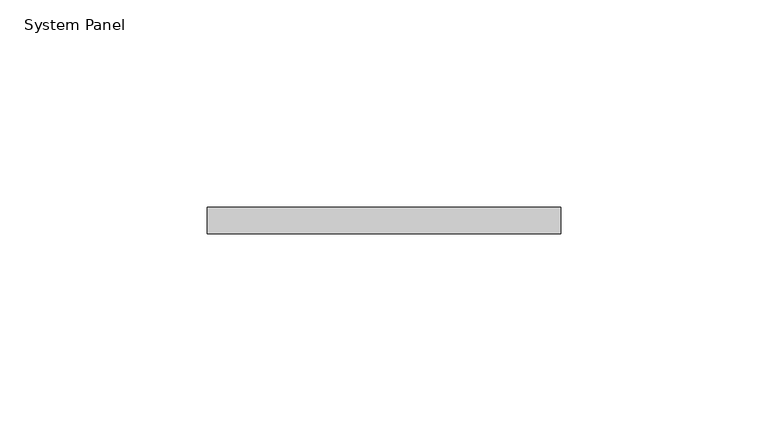
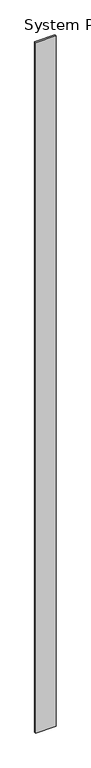
"""IFC4 building model written with IfcOpenShell, lengths in millimetres: plate geometry, System Panel."""

from ifc_helpers import new_model, si_unit, origin, origin_with_axes, place, context, project, spatial, polyline, outline, extrude, source, transform, mapped, element, save


def system_panel_e5353681(model_context):
    return source(origin(), model_context, "Body", "SweptSolid", [
        extrude(outline(polyline([(42.6476885, -6.35), (-42.6476885, -6.35), (-42.6476885, 0.0), (42.6476885, 0.0), (42.6476885, -6.35)])), origin_with_axes(), (0.0, 0.0, 1.0), 3048.0),
    ])


if __name__ == "__main__":
    model = new_model("IFC4")
    model_context = context("Model", 3, world=origin())
    ifc_project = project(units=[si_unit("LENGTHUNIT", "METRE", prefix="MILLI")], contexts=[model_context])
    site = spatial("IfcSite", under=ifc_project)
    building = spatial("IfcBuilding", under=site)
    placement = place(None, origin())
    system_panel_shape = system_panel_e5353681(model_context)
    element("IfcPlate", 1, ObjectType="System Panel", at=placement, inside=building, context=model_context, shape_type="MappedRepresentation", body=[
        mapped(system_panel_shape, transform((0.0, 0.0, 0.0), x_axis=(1.0, 0.0, 0.0), y_axis=(0.0, 1.0, 0.0), z_axis=(0.0, 0.0, 1.0))),
    ])
    save(model, "model.ifc")
